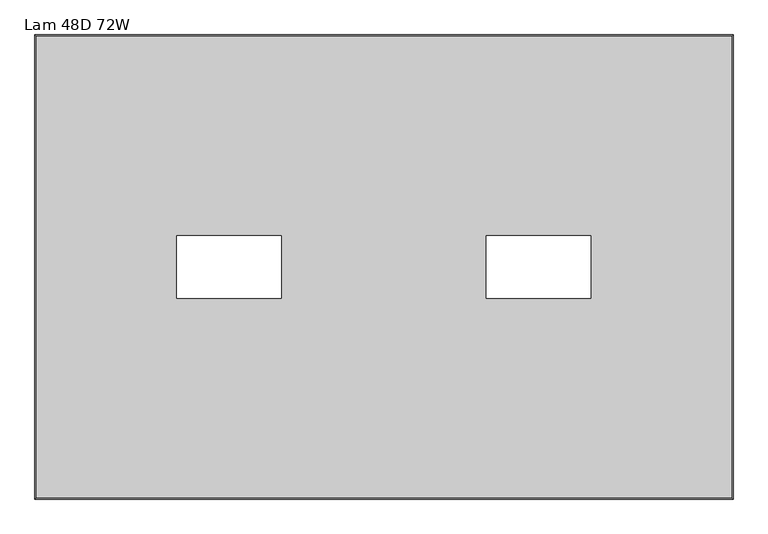
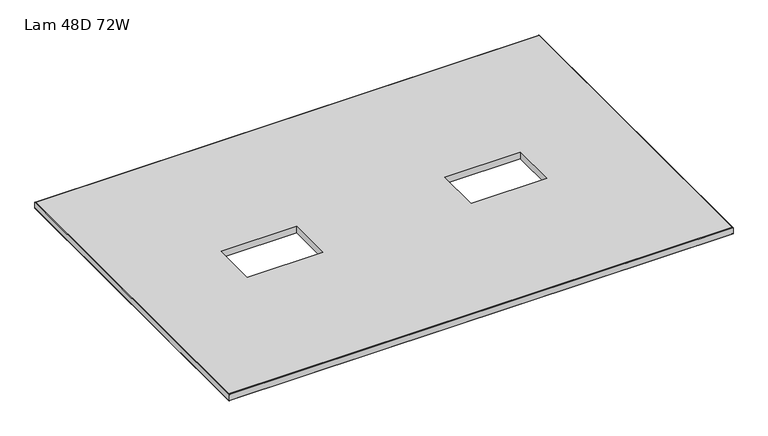
"""IFC4 building model written with IfcOpenShell, lengths in millimetres: furniture geometry, Lam 48D 72W."""

from ifc_helpers import new_model, si_unit, frame, origin, place, context, project, spatial, polyline, ellipse_curve, outline, extrude, source, transform, mapped, element, save
from ifc_brep_helpers import plane_surface, cylinder_surface, advanced_brep


def lam_48d_72w_9ecee799(model_context):
    return source(origin(), model_context, "Body", "SolidModel", [
        advanced_brep(
        [(-1097.0, 604.8248, 723.9), (-1097.0, 604.8248, 698.5), (724.1518, 604.8248, 698.5), (724.1518, 604.8248, 723.9), (724.1518, -604.8248, 698.5), (724.1518, -604.8248, 723.9), (-1097.0, -604.8248, 698.5), (-1097.0, -604.8248, 723.9), (-1098.6002, 606.425, 700.1002), (-1098.6002, 606.425, 722.2998), (725.752, 606.425, 722.2998), (725.752, 606.425, 700.1002), (725.752, -606.425, 722.2998), (725.752, -606.425, 700.1002), (-1098.6002, -606.425, 722.2998), (-1098.6002, -606.425, 700.1002)],
        [
            (0, 1),
            (1, 2),
            (2, 3),
            (3, 0),
            (2, 4),
            (4, 5),
            (5, 3),
            (4, 6),
            (6, 7),
            (7, 5),
            (6, 1),
            (0, 7),
            (8, 9),
            (9, 10),
            (10, 11),
            (11, 8),
            (10, 12),
            (12, 13),
            (13, 11),
            (12, 14),
            (14, 15),
            (15, 13),
            (14, 9),
            (8, 15),
            (9, 0, ellipse_curve(frame((-1097.0, 604.8248, 722.2998), z_axis=(0.7071067811865475, 0.7071067811865475, 0.0), x_axis=(-0.7071067811865476, 0.7071067811865474, 0.0)), 2.2630245, 1.6002)),
            (3, 10, ellipse_curve(frame((724.1518, 604.8248, 722.2998), z_axis=(-0.7071067811865475, 0.7071067811865475, 0.0), x_axis=(-0.7071067811865476, -0.7071067811865474, 0.0)), 2.2630245, 1.6002)),
            (1, 8, ellipse_curve(frame((-1097.0, 604.8248, 700.1002), z_axis=(0.7071067811865475, 0.7071067811865475, 0.0), x_axis=(-0.7071067811865476, 0.7071067811865474, 0.0)), 2.2630245, 1.6002)),
            (11, 2, ellipse_curve(frame((724.1518, 604.8248, 700.1002), z_axis=(-0.7071067811865475, 0.7071067811865475, 0.0), x_axis=(-0.7071067811865476, -0.7071067811865474, 0.0)), 2.2630245, 1.6002)),
            (5, 12, ellipse_curve(frame((724.1518, -604.8248, 722.2998), z_axis=(0.7071067811865475, 0.7071067811865475, 0.0), x_axis=(-0.7071067811865474, 0.7071067811865476, 0.0)), 2.2630245, 1.6002)),
            (13, 4, ellipse_curve(frame((724.1518, -604.8248, 700.1002), z_axis=(0.7071067811865475, 0.7071067811865475, 0.0), x_axis=(-0.7071067811865474, 0.7071067811865476, 0.0)), 2.2630245, 1.6002)),
            (7, 14, ellipse_curve(frame((-1097.0, -604.8248, 722.2998), z_axis=(0.7071067811865475, -0.7071067811865475, 0.0), x_axis=(0.7071067811865476, 0.7071067811865474, 0.0)), 2.2630245, 1.6002)),
            (15, 6, ellipse_curve(frame((-1097.0, -604.8248, 700.1002), z_axis=(0.7071067811865475, -0.7071067811865475, 0.0), x_axis=(0.7071067811865476, 0.7071067811865474, 0.0)), 2.2630245, 1.6002)),
        ],
        [
            plane_surface(frame((-1097.0, 604.8248, 698.5), z_axis=(0.0, -1.0, 0.0), x_axis=(1.0, 0.0, 0.0))),
            plane_surface(frame((724.1518, 604.8248, 698.5), z_axis=(-1.0, 0.0, 0.0), x_axis=(0.0, -1.0, 0.0))),
            plane_surface(frame((724.1518, -604.8248, 698.5), z_axis=(0.0, 1.0, 0.0), x_axis=(-1.0, 0.0, 0.0))),
            plane_surface(frame((-1097.0, -604.8248, 698.5), z_axis=(1.0, 0.0, 0.0), x_axis=(0.0, 1.0, 0.0))),
            plane_surface(frame((-1098.6002, 606.425, 722.2998), z_axis=(0.0, 1.0, 0.0), x_axis=(1.0, 0.0, 0.0))),
            plane_surface(frame((725.752, 606.425, 722.2998), z_axis=(1.0, 0.0, 0.0), x_axis=(0.0, -1.0, 0.0))),
            plane_surface(frame((725.752, -606.425, 722.2998), z_axis=(0.0, -1.0, 0.0), x_axis=(-1.0, 0.0, 0.0))),
            plane_surface(frame((-1098.6002, -606.425, 722.2998), z_axis=(-1.0, 0.0, 0.0), x_axis=(0.0, 1.0, 0.0))),
            cylinder_surface(frame((-1097.0, 604.8248, 722.2998), z_axis=(-1.0, 0.0, 0.0), x_axis=(0.0, -1.0, 0.0)), 1.6002),
            cylinder_surface(frame((-1097.0, 604.8248, 700.1002), z_axis=(-1.0, 0.0, 0.0), x_axis=(0.0, -1.0, 0.0)), 1.6002),
            cylinder_surface(frame((724.1518, 604.8248, 722.2998), z_axis=(0.0, 1.0, 0.0), x_axis=(-1.0, 0.0, 0.0)), 1.6002),
            cylinder_surface(frame((724.1518, 604.8248, 700.1002), z_axis=(0.0, 1.0, 0.0), x_axis=(-1.0, 0.0, 0.0)), 1.6002),
            cylinder_surface(frame((724.1518, -604.8248, 722.2998), z_axis=(1.0, 0.0, 0.0), x_axis=(0.0, 1.0, 0.0)), 1.6002),
            cylinder_surface(frame((724.1518, -604.8248, 700.1002), z_axis=(1.0, 0.0, 0.0), x_axis=(0.0, 1.0, 0.0)), 1.6002),
            cylinder_surface(frame((-1097.0, -604.8248, 722.2998), z_axis=(0.0, -1.0, 0.0), x_axis=(1.0, 0.0, 0.0)), 1.6002),
            cylinder_surface(frame((-1097.0, -604.8248, 700.1002), z_axis=(0.0, -1.0, 0.0), x_axis=(1.0, 0.0, 0.0)), 1.6002),
        ],
        [
            (0, [[1, 2, 3, 4]]),
            (1, [[-3, 5, 6, 7]]),
            (2, [[-6, 8, 9, 10]]),
            (3, [[-9, 11, -1, 12]]),
            (4, [[13, 14, 15, 16]]),
            (5, [[-15, 17, 18, 19]]),
            (6, [[-18, 20, 21, 22]]),
            (7, [[-21, 23, -13, 24]]),
            (8, [[25, -4, 26, -14]]),
            (9, [[27, -16, 28, -2]]),
            (10, [[-26, -7, 29, -17]]),
            (11, [[-28, -19, 30, -5]]),
            (12, [[-29, -10, 31, -20]]),
            (13, [[-30, -22, 32, -8]]),
            (14, [[-31, -12, -25, -23]]),
            (15, [[-32, -24, -27, -11]]),
        ],
    ),
        extrude(outline(polyline([(724.1518, 604.8248), (724.1518, -604.8248), (-1097.0, -604.8248), (-1097.0, 604.8248), (724.1518, 604.8248)]), holes=[polyline([(-455.4623, 81.915), (-728.5123, 81.915), (-728.5123, -81.915), (-455.4623, -81.915), (-455.4623, 81.915)]), polyline([(354.2643, 81.915), (81.2143, 81.915), (81.2143, -81.915), (354.2643, -81.915), (354.2643, 81.915)])]), frame((0.0, 0.0, 698.5), z_axis=(0.0, 0.0, 1.0), x_axis=(1.0, 0.0, 0.0)), (0.0, 0.0, 1.0), 25.4),
    ])


if __name__ == "__main__":
    model = new_model("IFC4")
    model_context = context("Model", 3, world=origin())
    ifc_project = project(units=[si_unit("LENGTHUNIT", "METRE", prefix="MILLI")], contexts=[model_context])
    site = spatial("IfcSite", under=ifc_project)
    building = spatial("IfcBuilding", under=site)
    placement = place(None, origin())
    lam_48d_72w_shape = lam_48d_72w_9ecee799(model_context)
    element("IfcFurniture", 1, ObjectType="Lam 48D 72W", at=placement, inside=building, context=model_context, shape_type="MappedRepresentation", body=[
        mapped(lam_48d_72w_shape, transform((0.0, 0.0, 0.0), x_axis=(1.0, 0.0, 0.0), y_axis=(0.0, 1.0, 0.0), z_axis=(0.0, 0.0, 1.0))),
    ])
    save(model, "model.ifc")
